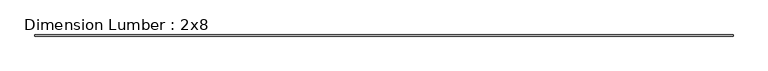
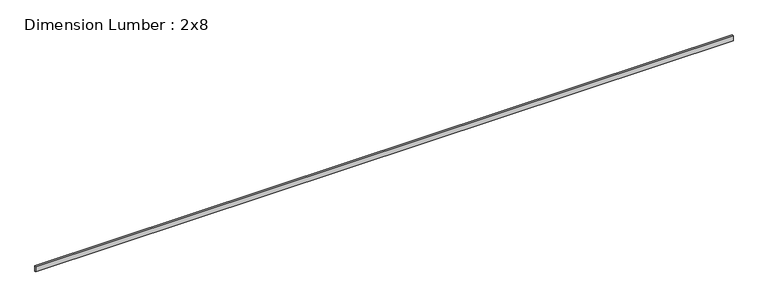
"""IFC4 building model written with IfcOpenShell, lengths in millimetres: beam geometry, Dimension Lumber : 2x8."""

from ifc_helpers import new_model, si_unit, frame, origin, place, context, project, spatial, polyline, outline, extrude, source, transform, mapped, element, save


def dimension_lumber_2x8_dfc28c40(model_context):
    return source(origin(), model_context, "Body", "SweptSolid", [
        extrude(outline(polyline([(11269.0156518, 19.05), (11269.0156518, -19.05), (-11269.0156518, -19.05), (-11269.0156518, 19.05), (11269.0156518, 19.05)])), frame((0.0, 0.0, -92.075), z_axis=(0.0, 0.0, 1.0), x_axis=(1.0, 0.0, 0.0)), (0.0, 0.0, 1.0), 184.15),
    ])


if __name__ == "__main__":
    model = new_model("IFC4")
    model_context = context("Model", 3, world=origin())
    ifc_project = project(units=[si_unit("LENGTHUNIT", "METRE", prefix="MILLI")], contexts=[model_context])
    site = spatial("IfcSite", under=ifc_project)
    building = spatial("IfcBuilding", under=site)
    placement = place(None, origin())
    dimension_lumber_2x8_shape = dimension_lumber_2x8_dfc28c40(model_context)
    element("IfcBeam", 1, ObjectType="Dimension Lumber : 2x8", at=placement, inside=building, context=model_context, shape_type="MappedRepresentation", body=[
        mapped(dimension_lumber_2x8_shape, transform((0.0, 0.0, 0.0), x_axis=(1.0, 0.0, 0.0), y_axis=(0.0, 1.0, 0.0), z_axis=(0.0, 0.0, 1.0))),
    ])
    save(model, "model.ifc")
